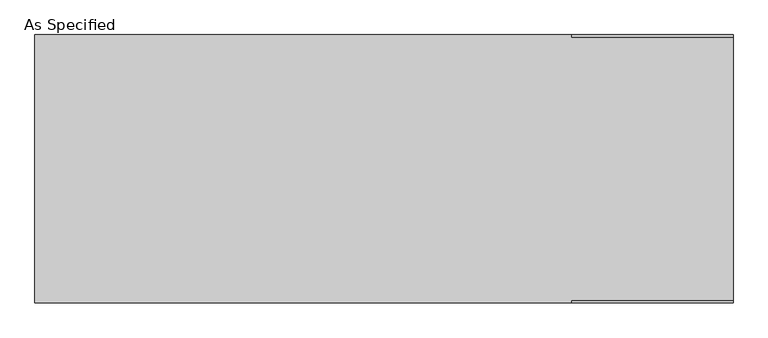
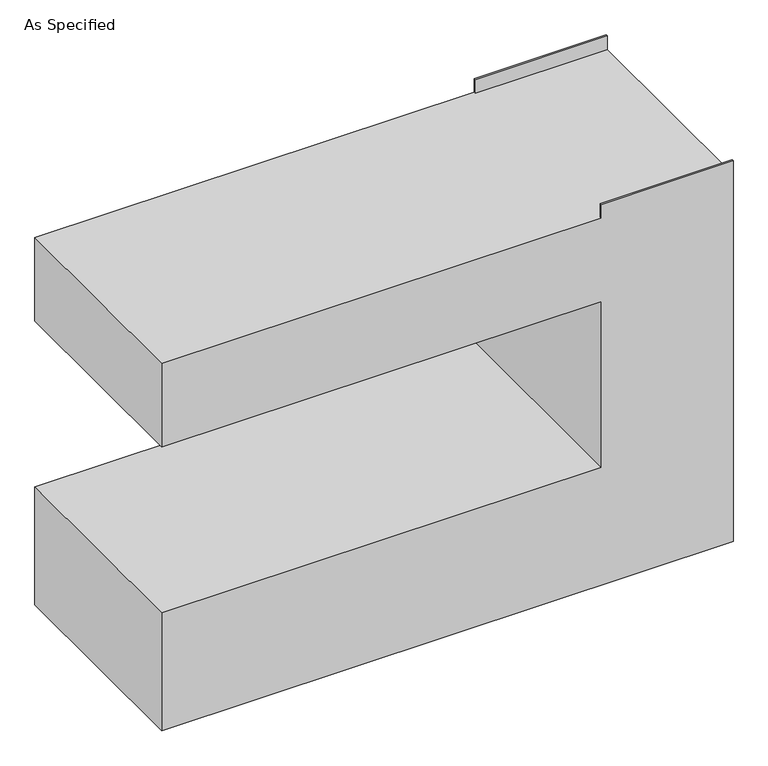
"""IFC4 building model written with IfcOpenShell, lengths in millimetres: proxy geometry, As Specified."""

from ifc_helpers import new_model, si_unit, origin, place, context, project, spatial, faceted_brep, source, transform, mapped, element, save


def as_specified_3d8385c8(model_context):
    return source(origin(), model_context, "Body", "Brep", [
        faceted_brep([(-990.6, 381.0, 1346.2), (-990.6, -381.0, 1346.2), (533.4, -381.0, 1346.2), (533.4, -374.65, 1346.2), (990.6, -374.65, 1346.2), (990.6, 374.65, 1346.2), (533.4, 374.65, 1346.2), (533.4, 381.0, 1346.2), (990.6, 381.0, 0.0), (990.6, -381.0, 0.0), (-990.6, -381.0, 0.0), (-990.6, 381.0, 0.0), (-990.6, 381.0, 431.8), (533.4, 381.0, 431.8), (533.4, 381.0, 1041.4), (-990.6, 381.0, 1041.4), (533.4, 381.0, 1397.0), (990.6, 381.0, 1397.0), (-990.6, -381.0, 1041.4), (-990.6, -381.0, 431.8), (990.6, -381.0, 1397.0), (533.4, -381.0, 1397.0), (533.4, -381.0, 1041.4), (533.4, -381.0, 431.8), (990.6, 374.65, 1397.0), (990.6, -374.65, 1397.0), (533.4, -374.65, 1397.0), (533.4, 374.65, 1397.0)], [[[0, 1, 2, 3, 4, 5, 6, 7]], [[8, 9, 10, 11]], [[8, 11, 12, 13, 14, 15, 0, 7, 16, 17]], [[1, 0, 15, 18]], [[11, 10, 19, 12]], [[10, 9, 20, 21, 2, 1, 18, 22, 23, 19]], [[9, 8, 17, 24, 5, 4, 25, 20]], [[23, 13, 12, 19]], [[13, 23, 22, 14]], [[14, 22, 18, 15]], [[21, 26, 3, 2]], [[26, 21, 20, 25]], [[3, 26, 25, 4]], [[16, 7, 6, 27]], [[16, 27, 24, 17]], [[27, 6, 5, 24]]]),
    ])


if __name__ == "__main__":
    model = new_model("IFC4")
    model_context = context("Model", 3, world=origin())
    ifc_project = project(units=[si_unit("LENGTHUNIT", "METRE", prefix="MILLI")], contexts=[model_context])
    site = spatial("IfcSite", under=ifc_project)
    building = spatial("IfcBuilding", under=site)
    placement = place(None, origin())
    as_specified_shape = as_specified_3d8385c8(model_context)
    element("IfcBuildingElementProxy", 1, Name="As Specified", ObjectType="As Specified", at=placement, inside=building, context=model_context, shape_type="MappedRepresentation", body=[
        mapped(as_specified_shape, transform((0.0, 0.0, 0.0), x_axis=(1.0, 0.0, 0.0), y_axis=(0.0, 1.0, 0.0), z_axis=(0.0, 0.0, 1.0))),
    ])
    save(model, "model.ifc")
